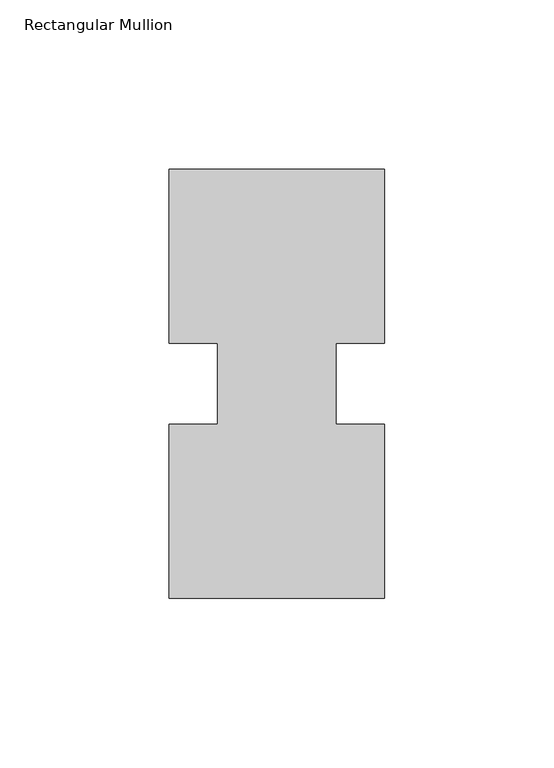
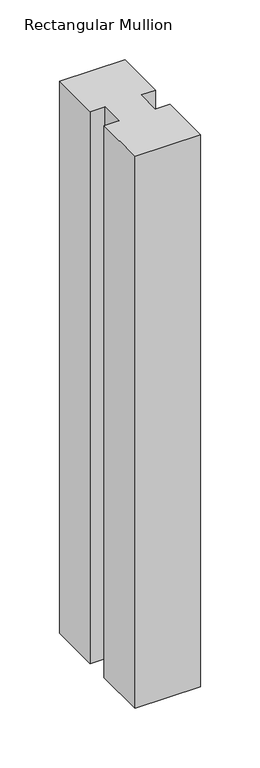
"""IFC4 building model written with IfcOpenShell, lengths in millimetres: member geometry, Rectangular Mullion."""

from ifc_helpers import new_model, si_unit, frame, origin, place, context, project, spatial, polyline, outline, extrude, source, transform, mapped, element, save


def rectangular_mullion_2ec37a64(model_context):
    return source(origin(), model_context, "Body", "SweptSolid", [
        extrude(outline(polyline([(-63.5, 0.26035), (-63.5, 51.60645), (-49.2125, 51.60645), (-49.2125, 75.40625), (-63.5, 75.40625), (-63.5, 126.75235), (0.0, 126.75235), (0.0, 75.40625), (-14.2748, 75.40625), (-14.2748, 51.60645), (0.0, 51.60645), (0.0, 0.26035), (-63.5, 0.26035)])), frame((0.0, 0.0, -565.1563826), z_axis=(0.0, 0.0, 1.0), x_axis=(1.0, 0.0, 0.0)), (0.0, 0.0, 1.0), 565.1563826),
    ])


if __name__ == "__main__":
    model = new_model("IFC4")
    model_context = context("Model", 3, world=origin())
    ifc_project = project(units=[si_unit("LENGTHUNIT", "METRE", prefix="MILLI")], contexts=[model_context])
    site = spatial("IfcSite", under=ifc_project)
    building = spatial("IfcBuilding", under=site)
    placement = place(None, origin())
    rectangular_mullion_shape = rectangular_mullion_2ec37a64(model_context)
    element("IfcMember", 1, ObjectType="Rectangular Mullion", at=placement, inside=building, context=model_context, shape_type="MappedRepresentation", body=[
        mapped(rectangular_mullion_shape, transform((0.0, 0.0, 0.0), x_axis=(1.0, 0.0, 0.0), y_axis=(0.0, 1.0, 0.0), z_axis=(0.0, 0.0, 1.0))),
    ])
    save(model, "model.ifc")
